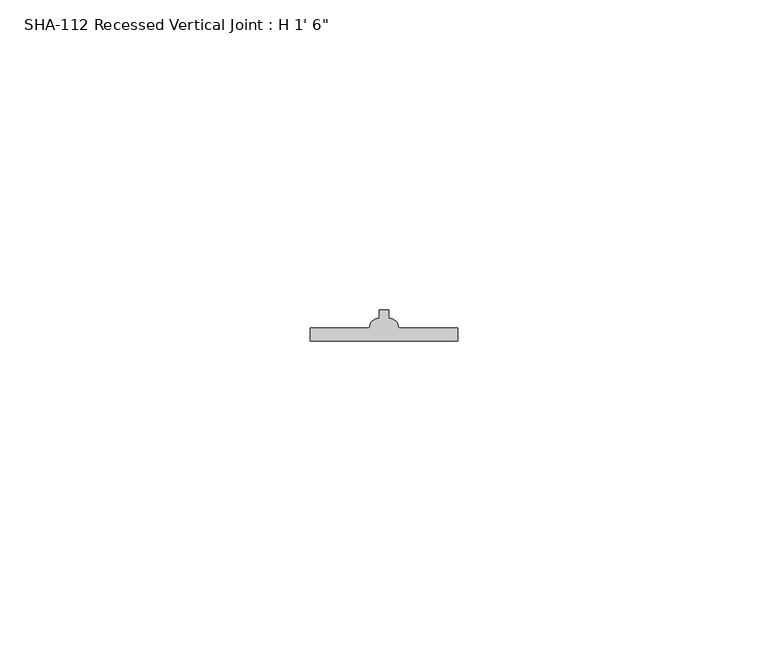
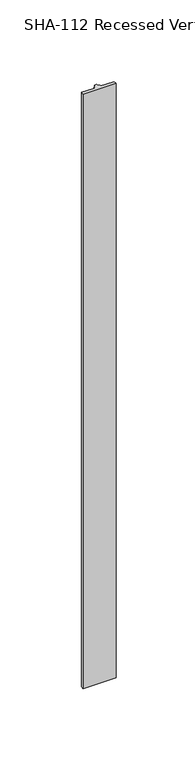
"""IFC4 building model written with IfcOpenShell, lengths in millimetres: proxy geometry."""

from ifc_helpers import new_model, si_unit, point, frame_2d, origin, origin_with_axes, place, context, project, spatial, polyline, circle_curve, trimmed, segment, composite_curve, outline, extrude, source, transform, mapped, element, save


def proxy_6d709b37(model_context):
    return source(origin(), model_context, "Body", "SweptSolid", [
        extrude(outline(composite_curve([segment(polyline([(14.2494, 2.1336), (23.7744, 2.1336), (23.7744, 0.0), (0.0, 0.0), (0.0, 2.1336), (9.525, 2.1336)]), True, "CONTINUOUS"), segment(trimmed(circle_curve(frame_2d((11.0998, 2.1336)), 1.5748), [point((9.525, 2.1336))], [point((11.0998, 3.7084))], False, "CARTESIAN"), True, "CONTINUOUS"), segment(polyline([(11.0998, 3.7084), (11.0998, 5.03555), (11.8872, 5.03555), (12.6746, 5.03555), (12.6746, 3.7084)]), True, "CONTINUOUS"), segment(trimmed(circle_curve(frame_2d((12.6746, 2.1336)), 1.5748), [point((12.6746, 3.7084))], [point((14.2494, 2.1336))], False, "CARTESIAN"), True, "CONTINUOUS")], self_intersect=False)), origin_with_axes(), (0.0, 0.0, 1.0), 457.2),
    ])


if __name__ == "__main__":
    model = new_model("IFC4")
    model_context = context("Model", 3, world=origin())
    ifc_project = project(units=[si_unit("LENGTHUNIT", "METRE", prefix="MILLI")], contexts=[model_context])
    site = spatial("IfcSite", under=ifc_project)
    building = spatial("IfcBuilding", under=site)
    placement = place(None, origin())
    proxy_shape = proxy_6d709b37(model_context)
    element("IfcBuildingElementProxy", 1, Name="SHA-112 Recessed Vertical Joint : H 1' 6\"", ObjectType="SHA-112 Recessed Vertical Joint : H 1' 6\"", at=placement, inside=building, context=model_context, shape_type="MappedRepresentation", body=[
        mapped(proxy_shape, transform((0.0, 0.0, 0.0), x_axis=(1.0, 0.0, 0.0), y_axis=(0.0, 1.0, 0.0), z_axis=(0.0, 0.0, 1.0))),
    ])
    save(model, "model.ifc")
